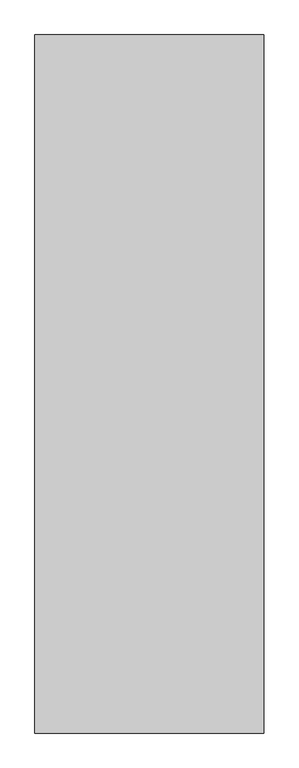
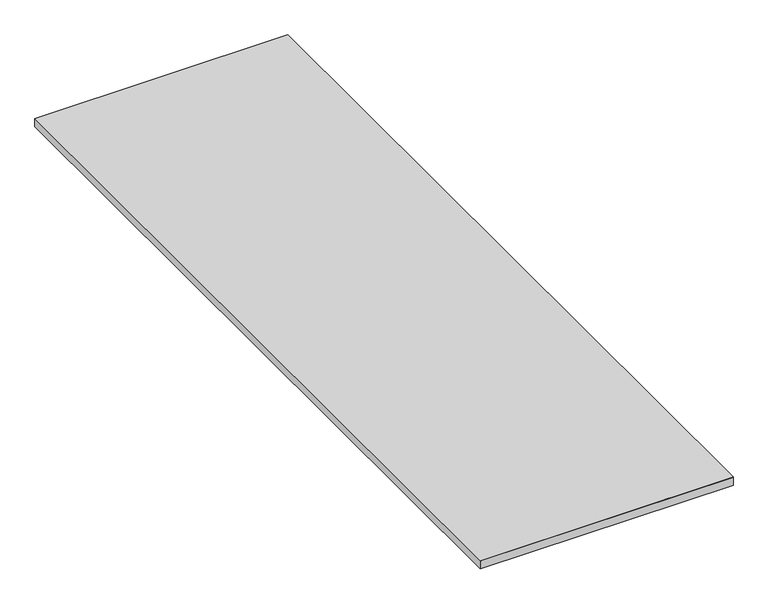
"""IFC4 building model written with IfcOpenShell, lengths in millimetres: furniture geometry."""

from ifc_helpers import new_model, si_unit, frame, origin, place, context, project, spatial, polyline, outline, extrude, source, transform, mapped, element, save


def furniture_7552cddf(model_context):
    return source(origin(), model_context, "Body", "SweptSolid", [
        extrude(outline(polyline([(45547.6329975, 15284.3577595), (46462.0329975, 15284.3577595), (46462.0329975, 12494.3577595), (45547.6329975, 12494.3577595), (45547.6329975, 15284.3577595)])), frame((0.0, 0.0, 1059.7), z_axis=(0.0, 0.0, 1.0), x_axis=(1.0, 0.0, 0.0)), (0.0, 0.0, 1.0), 1.0),
        extrude(outline(polyline([(46462.0329975, 15284.3577595), (46462.0329975, 12494.3577595), (45547.6329975, 12494.3577595), (45547.6329975, 15284.3577595), (46462.0329975, 15284.3577595)]), holes=[polyline([(45548.1329975, 12494.8577595), (46461.5329975, 12494.8577595), (46461.5329975, 15283.8577595), (45548.1329975, 15283.8577595), (45548.1329975, 12494.8577595)])]), frame((0.0, 0.0, 1028.7), z_axis=(0.0, 0.0, 1.0), x_axis=(1.0, 0.0, 0.0)), (0.0, 0.0, 1.0), 31.0),
    ])


if __name__ == "__main__":
    model = new_model("IFC4")
    model_context = context("Model", 3, world=origin())
    ifc_project = project(units=[si_unit("LENGTHUNIT", "METRE", prefix="MILLI")], contexts=[model_context])
    site = spatial("IfcSite", under=ifc_project)
    building = spatial("IfcBuilding", under=site)
    placement = place(None, origin())
    furniture_shape = furniture_7552cddf(model_context)
    element("IfcFurniture", 1, at=placement, inside=building, context=model_context, shape_type="MappedRepresentation", body=[
        mapped(furniture_shape, transform((0.0, 0.0, 0.0), x_axis=(1.0, 0.0, 0.0), y_axis=(0.0, 1.0, 0.0), z_axis=(0.0, 0.0, 1.0))),
    ])
    save(model, "model.ifc")
